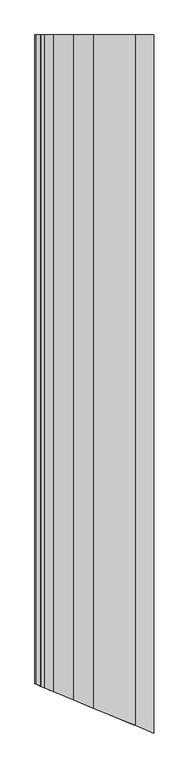
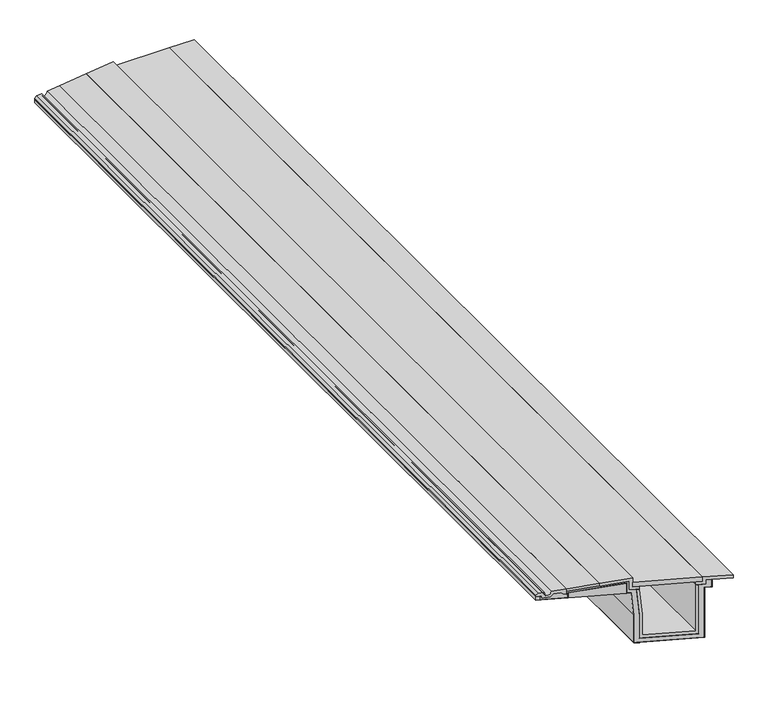
"""IFC4 building model written with IfcOpenShell, lengths in millimetres: proxy geometry."""

from ifc_helpers import new_model, si_unit, frame, origin, place, context, project, spatial, polyline, circle_curve, ellipse_curve, outline, extrude, faceted_brep, source, transform, mapped, element, save
from ifc_brep_helpers import plane_surface, revolved_surface, advanced_brep


def generic_models_518e5d58(model_context):
    return source(origin(), model_context, "Body", "SolidModel", [
        faceted_brep([(15.0, -1870.5425715, 245.682064), (15.0, -1870.5425715, 263.0859585), (0.0, -1864.329368, 261.2441901), (0.0, -1864.329368, 245.682064), (15.0, 2170.8474042, 245.682064), (15.0, 2170.8474042, 263.0859585), (0.0, 2170.8474042, 245.682064), (0.0, 2170.8474042, 261.2441901)], [[[0, 1, 2, 3]], [[4, 5, 1, 0]], [[6, 4, 0, 3]], [[7, 6, 3, 2]], [[5, 7, 2, 1]], [[5, 4, 6, 7]]]),
        faceted_brep([(237.7, -1962.7879318, 305.5427276), (116.0, -1912.3781413, 290.5998466), (116.0, -1912.3781413, 278.5097287), (237.7, -1962.7879318, 293.4526097), (237.7, 2170.8474042, 305.5427276), (116.0, 2170.8474042, 290.5998466), (237.7, 2170.8474042, 293.4526097), (116.0, 2170.8474042, 278.5097287)], [[[0, 1, 2, 3]], [[4, 5, 1, 0]], [[6, 4, 0, 3]], [[7, 6, 3, 2]], [[5, 7, 2, 1]], [[5, 4, 6, 7]]]),
        extrude(outline(polyline([(363.5893809, 2170.8474042), (625.0, 2170.8474042), (625.0, -2123.2128445), (363.5893809, -2014.9330207), (363.5893809, 2170.8474042)])), frame((0.0, 0.0, 276.0), z_axis=(0.0, 0.0, 1.0), x_axis=(1.0, 0.0, 0.0)), (0.0, 0.0, 1.0), 22.0),
        faceted_brep([(339.5893809, 2170.8474042, 245.682064), (339.5893809, 2170.8474042, 295.8879544), (339.5893809, -2004.9918952, 295.8879544), (339.5893809, -2004.9918952, 245.682064), (120.5, 2170.8474042, 245.682064), (120.5, -1914.2421023, 245.682064), (120.5, 2170.8474042, 268.9871609), (120.5, -1914.2421023, 268.9871609)], [[[0, 1, 2, 3]], [[4, 0, 3, 5]], [[6, 4, 5, 7]], [[1, 6, 7, 2]], [[3, 2, 7, 5]], [[1, 0, 4, 6]]]),
        faceted_brep([(119.5, 2170.8474042, 246.682064), (20.0, 2170.8474042, 246.682064), (20.0, -1872.6136393, 246.682064), (119.5, -1913.8278887, 246.682064), (20.0, -1872.6136393, 245.682064), (120.5, -1914.2421023, 245.682064), (120.5, -1914.2421023, 268.9871609), (339.5893809, -2004.9918952, 295.8879544), (339.5893809, -2004.9918952, 245.682064), (356.9320974, -2012.1754836, 245.682064), (367.0, -2016.3457454, 134.5088034), (367.0, -2016.3457454, 0.0), (633.0, -2126.526553, 0.0), (633.0, -2126.526553, 245.682064), (661.0, -2138.1245327, 245.682064), (661.0, -2138.1245327, 278.0), (660.0, -2137.7103192, 278.0), (660.0, -2137.7103192, 246.682064), (632.0, -2126.1123394, 246.682064), (632.0, -2126.1123394, 1.0), (368.0, -2016.759959, 1.0), (368.0, -2016.759959, 134.5539912), (357.8456292, -2012.5538809, 246.682064), (340.5893809, -2005.4061088, 246.682064), (340.5893809, -2005.4061088, 297.0182488), (119.5, -1913.8278887, 269.8718862), (119.5, 2170.8474042, 269.8718862), (340.5893809, 2170.8474042, 297.0182488), (340.5893809, 2170.8474042, 246.682064), (357.8456292, 2170.8474042, 246.682064), (339.5893809, 2170.8474042, 245.682064), (356.9320974, 2170.8474042, 245.682064), (339.5893809, 2170.8474042, 295.8879544), (120.5, 2170.8474042, 268.9871609), (120.5, 2170.8474042, 245.682064), (20.0, 2170.8474042, 245.682064), (632.0, 2170.8474042, 1.0), (368.0, 2170.8474042, 1.0), (367.0, 2170.8474042, 0.0), (633.0, 2170.8474042, 0.0), (367.0, 2170.8474042, 134.5088034), (632.0, 2170.8474042, 246.682064), (660.0, 2170.8474042, 246.682064), (633.0, 2170.8474042, 245.682064), (368.0, 2170.8474042, 134.5539912), (660.0, 2170.8474042, 278.0), (661.0, 2170.8474042, 278.0), (661.0, 2170.8474042, 245.682064)], [[[0, 1, 2, 3]], [[3, 2, 4, 5, 6, 7, 8, 9, 10, 11, 12, 13, 14, 15, 16, 17, 18, 19, 20, 21, 22, 23, 24, 25]], [[26, 0, 3, 25]], [[27, 26, 25, 24]], [[28, 27, 24, 23]], [[29, 28, 23, 22]], [[30, 31, 9, 8]], [[32, 30, 8, 7]], [[33, 32, 7, 6]], [[34, 33, 6, 5]], [[35, 34, 5, 4]], [[1, 35, 4, 2]], [[36, 37, 20, 19]], [[38, 39, 12, 11]], [[40, 38, 11, 10]], [[41, 36, 19, 18]], [[42, 41, 18, 17]], [[39, 43, 13, 12]], [[44, 29, 22, 21]], [[37, 44, 21, 20]], [[31, 40, 10, 9]], [[45, 42, 17, 16]], [[46, 45, 16, 15]], [[47, 46, 15, 14]], [[43, 47, 14, 13]], [[0, 26, 27, 28, 29, 44, 37, 36, 41, 42, 45, 46, 47, 43, 39, 38, 40, 31, 30, 32, 33, 34, 35, 1]]]),
        faceted_brep([(348.5893809, -2008.7198173, 262.0), (348.5893809, -2008.7198173, 304.0455842), (237.7, -1962.7879318, 290.4300803), (237.7, -1962.7879318, 293.4526097), (116.0, -1912.3781413, 278.5097287), (116.0, -1912.3781413, 263.5998466), (104.5, -1907.6146853, 263.5998466), (93.3955598, -1903.0150755, 272.7117229), (67.5834837, -1892.3233636, 269.5423985), (55.5685701, -1887.3466234, 256.6579811), (20.0, -1872.6136393, 252.5040499), (20.0, -1872.6136393, 263.6998813), (15.0, -1870.5425715, 263.0859585), (15.0, -1870.5425715, 245.682064), (20.0, -1872.6136393, 245.682064), (20.0, -1872.6136393, 246.682064), (119.5, -1913.8278887, 246.682064), (119.5, -1913.8278887, 269.8718862), (340.5893809, -2005.4061088, 297.0182488), (340.5893809, -2005.4061088, 246.682064), (357.8456292, -2012.5538809, 246.682064), (368.0, -2016.759959, 134.5539912), (368.0, -2016.759959, 1.0), (632.0, -2126.1123394, 1.0), (632.0, -2126.1123394, 246.682064), (660.0, -2137.7103192, 246.682064), (660.0, -2137.7103192, 278.0), (661.0, -2138.1245327, 278.0), (661.0, -2138.1245327, 283.0), (640.0, -2129.4260479, 283.0), (640.0, -2129.4260479, 262.0), (612.0, -2117.8280682, 262.0), (612.0, -2117.8280682, 21.0), (388.0, -2025.0442302, 21.0), (388.0, -2025.0442302, 135.4577467), (376.5402742, -2020.2974564, 262.0), (348.5893809, 2170.8474042, 262.0), (348.5893809, 2170.8474042, 304.0455842), (376.5402742, 2170.8474042, 262.0), (340.5893809, 2170.8474042, 246.682064), (357.8456292, 2170.8474042, 246.682064), (340.5893809, 2170.8474042, 297.0182488), (119.5, 2170.8474042, 269.8718862), (119.5, 2170.8474042, 246.682064), (15.0, 2170.8474042, 263.0859585), (15.0, 2170.8474042, 245.682064), (20.0, 2170.8474042, 263.6998813), (20.0, 2170.8474042, 252.5040499), (55.5685701, 2170.8474042, 256.6579811), (67.5834837, 2170.8474042, 269.5423985), (93.3955598, 2170.8474042, 272.7117229), (104.5, 2170.8474042, 263.5998466), (116.0, 2170.8474042, 263.5998466), (116.0, 2170.8474042, 278.5097287), (237.7, 2170.8474042, 290.4300803), (237.7, 2170.8474042, 293.4526097), (612.0, 2170.8474042, 21.0), (388.0, 2170.8474042, 21.0), (612.0, 2170.8474042, 262.0), (640.0, 2170.8474042, 262.0), (632.0, 2170.8474042, 1.0), (632.0, 2170.8474042, 246.682064), (368.0, 2170.8474042, 1.0), (20.0, 2170.8474042, 246.682064), (388.0, 2170.8474042, 135.4577467), (368.0, 2170.8474042, 134.5539912), (640.0, 2170.8474042, 283.0), (661.0, 2170.8474042, 283.0), (660.0, 2170.8474042, 246.682064), (660.0, 2170.8474042, 278.0), (661.0, 2170.8474042, 278.0), (20.0, 2170.8474042, 245.682064)], [[[0, 1, 2, 3, 4, 5, 6, 7, 8, 9, 10, 11, 12, 13, 14, 15, 16, 17, 18, 19, 20, 21, 22, 23, 24, 25, 26, 27, 28, 29, 30, 31, 32, 33, 34, 35]], [[36, 37, 1, 0]], [[38, 36, 0, 35]], [[39, 40, 20, 19]], [[41, 39, 19, 18]], [[42, 41, 18, 17]], [[43, 42, 17, 16]], [[44, 45, 13, 12]], [[46, 44, 12, 11]], [[47, 46, 11, 10]], [[48, 47, 10, 9]], [[49, 48, 9, 8]], [[50, 49, 8, 7]], [[51, 50, 7, 6]], [[52, 51, 6, 5]], [[53, 52, 5, 4]], [[37, 54, 2, 1]], [[54, 55, 3, 2]], [[56, 57, 33, 32]], [[58, 56, 32, 31]], [[59, 58, 31, 30]], [[60, 61, 24, 23]], [[62, 60, 23, 22]], [[63, 43, 16, 15]], [[64, 38, 35, 34]], [[57, 64, 34, 33]], [[65, 62, 22, 21]], [[40, 65, 21, 20]], [[55, 53, 4, 3]], [[66, 59, 30, 29]], [[67, 66, 29, 28]], [[68, 69, 26, 25]], [[61, 68, 25, 24]], [[70, 67, 28, 27]], [[69, 70, 27, 26]], [[71, 63, 15, 14]], [[45, 71, 14, 13]], [[37, 36, 38, 64, 57, 56, 58, 59, 66, 67, 70, 69, 68, 61, 60, 62, 65, 40, 39, 41, 42, 43, 63, 71, 45, 44, 46, 47, 48, 49, 50, 51, 52, 53, 55, 54]]]),
        faceted_brep([(600.0, -2112.8575054, 36.0), (400.0, -2030.014793, 36.0), (400.0, -2030.014793, 136.0), (388.5893809, -2025.2883598, 262.0), (376.5402742, -2020.2974564, 262.0), (388.0, -2025.0442302, 135.4577467), (388.0, -2025.0442302, 21.0), (612.0, -2117.8280682, 21.0), (612.0, -2117.8280682, 262.0), (600.0, -2112.8575054, 262.0), (600.0, 2170.8474042, 36.0), (400.0, 2170.8474042, 36.0), (600.0, 2170.8474042, 262.0), (612.0, 2170.8474042, 262.0), (388.0, 2170.8474042, 21.0), (612.0, 2170.8474042, 21.0), (388.0, 2170.8474042, 135.4577467), (376.5402742, 2170.8474042, 262.0), (388.5893809, 2170.8474042, 262.0), (400.0, 2170.8474042, 136.0)], [[[0, 1, 2, 3, 4, 5, 6, 7, 8, 9]], [[10, 11, 1, 0]], [[12, 10, 0, 9]], [[13, 12, 9, 8]], [[14, 15, 7, 6]], [[16, 14, 6, 5]], [[17, 16, 5, 4]], [[18, 17, 4, 3]], [[19, 18, 3, 2]], [[11, 19, 2, 1]], [[15, 13, 8, 7]], [[11, 10, 12, 13, 15, 14, 16, 17, 18, 19]]]),
        advanced_brep(
        [(0.0, 2170.8474042, 269.8936236), (0.0, 2170.8474042, 261.2441901), (0.0, -1864.329368, 261.2441901), (0.0, -1864.329368, 269.8936236), (20.0, -1872.6136393, 263.6998813), (20.0, -1872.6136393, 252.5040499), (55.5685701, -1887.3466234, 256.6579811), (67.5834837, -1892.3233636, 269.5423985), (93.3955598, -1903.0150755, 272.7117229), (104.5, -1907.6146853, 263.5998466), (116.0, -1912.3781413, 263.5998466), (116.0, -1912.3781413, 290.5998466), (57.0, -1887.9395411, 283.3555575), (37.8105267, -1879.991001, 264.554064), (32.0, -1877.584202, 280.2859435), (9.7094451, -1868.3511519, 277.5490075), (9.7094451, 2170.8474042, 277.5490075), (32.0, 2170.8474042, 280.2859435), (37.8105267, 2170.8474042, 264.554064), (57.0, 2170.8474042, 283.3555575), (116.0, 2170.8474042, 290.5998466), (116.0, 2170.8474042, 263.5998466), (104.5, 2170.8474042, 263.5998466), (93.3955598, 2170.8474042, 272.7117229), (67.5834837, 2170.8474042, 269.5423985), (55.5685701, 2170.8474042, 256.6579811), (20.0, 2170.8474042, 252.5040499), (20.0, 2170.8474042, 263.6998813)],
        [
            (0, 1),
            (1, 2),
            (2, 3),
            (3, 0),
            (2, 4),
            (4, 5),
            (5, 6),
            (6, 7),
            (7, 8),
            (8, 9),
            (9, 10),
            (10, 11),
            (11, 12),
            (12, 13, ellipse_curve(frame((37.8886508, -1880.023361, 283.6678042), z_axis=(0.3826834323650892, 0.9238795325112871, 0.0), x_axis=(0.9238795325112871, -0.38268343236508867, 0.0)), 20.6887361, 19.1138998)),
            (13, 14, ellipse_curve(frame((55.4488943, -1887.2970521, 280.0077377), z_axis=(0.3826834323650892, 0.9238795325112871, 0.0), x_axis=(0.9238795325112871, -0.38268343236508867, 0.0)), 25.3826866, 23.4505447)),
            (14, 15),
            (15, 3),
            (16, 0),
            (15, 16),
            (17, 16),
            (14, 17),
            (18, 17, circle_curve(frame((55.4488943, 2170.8474042, 280.0077377), z_axis=(0.0, 1.0, 0.0), x_axis=(1.0, 0.0, 0.0)), 23.4505447)),
            (13, 18),
            (19, 18, circle_curve(frame((37.8886508, 2170.8474042, 283.6678042), z_axis=(0.0, 1.0, 0.0), x_axis=(1.0, 0.0, 0.0)), 19.1138998)),
            (12, 19),
            (20, 19),
            (11, 20),
            (21, 20),
            (10, 21),
            (22, 21),
            (9, 22),
            (23, 22),
            (8, 23),
            (24, 23),
            (7, 24),
            (25, 24),
            (6, 25),
            (26, 25),
            (5, 26),
            (27, 26),
            (4, 27),
            (1, 27),
        ],
        [
            plane_surface(frame((0.0, 2170.8474042, 261.2441901), z_axis=(-1.0, 0.0, 0.0), x_axis=(0.0, -1.0, 0.0))),
            plane_surface(frame((740.0, -2170.8474042, 321.0), z_axis=(-0.3826834323650892, -0.9238795325112871, 0.0), x_axis=(0.0, 0.0, -1.0))),
            plane_surface(frame((0.0, 2170.8474042, 269.8936236), z_axis=(-0.6191475432586214, 0.0, 0.7852746778527966), x_axis=(0.0, -1.0, 0.0))),
            plane_surface(frame((9.7094451, 2170.8474042, 277.5490075), z_axis=(-0.12186934340514402, 0.0, 0.9925461516413224), x_axis=(0.0, -1.0, 0.0))),
            revolved_surface(polyline([(78.899439, -1897.0105857307349, 280.0077377), (78.899439, 2170.8474042, 280.0077377)]), (55.4488943, 2170.8474042, 280.0077377), (0.0, -1.0, 0.0)),
            revolved_surface(polyline([(57.0025506, -1887.9405975420436, 283.6678042), (57.0025506, 2170.8474042, 283.6678042)]), (37.8886508, 2170.8474042, 283.6678042), (0.0, -1.0, 0.0)),
            plane_surface(frame((57.0, 2170.8474042, 283.3555575), z_axis=(-0.12186934340514415, 0.0, 0.9925461516413225), x_axis=(0.0, -1.0, 0.0))),
            plane_surface(frame((116.0, 2170.8474042, 290.5998466), z_axis=(1.0, 0.0, 0.0), x_axis=(0.0, -1.0, 0.0))),
            plane_surface(frame((116.0, 2170.8474042, 263.5998466), z_axis=(0.0, 0.0, -1.0), x_axis=(0.0, -1.0, 0.0))),
            plane_surface(frame((104.5, 2170.8474042, 263.5998466), z_axis=(-0.63433911210237, 0.0, -0.7730549080480486), x_axis=(0.0, -1.0, 0.0))),
            plane_surface(frame((93.3955598, 2170.8474042, 272.7117229), z_axis=(0.12186934340514435, 0.0, -0.9925461516413224), x_axis=(0.0, -1.0, 0.0))),
            plane_surface(frame((67.5834837, 2170.8474042, 269.5423985), z_axis=(0.7313537016191691, 0.0, -0.6819983600624999), x_axis=(0.0, -1.0, 0.0))),
            plane_surface(frame((55.5685701, 2170.8474042, 256.6579811), z_axis=(0.11599818969749838, 0.0, -0.9932494248610987), x_axis=(0.0, -1.0, 0.0))),
            plane_surface(frame((20.0, 2170.8474042, 252.5040499), z_axis=(-1.0, 0.0, 0.0), x_axis=(0.0, -1.0, 0.0))),
            plane_surface(frame((20.0, 2170.8474042, 263.6998813), z_axis=(0.1218693434051437, 0.0, -0.9925461516413225), x_axis=(0.0, -1.0, 0.0))),
            plane_surface(frame((0.0, 2170.8474042, 0.0), z_axis=(0.0, 1.0, 0.0), x_axis=(0.0, 0.0, 1.0))),
        ],
        [
            (0, [[1, 2, 3, 4]]),
            (1, [[-3, 5, 6, 7, 8, 9, 10, 11, 12, 13, 14, 15, 16, 17]]),
            (2, [[18, -4, -17, 19]]),
            (3, [[20, -19, -16, 21]]),
            (4, [[22, -21, -15, 23]]),
            (5, [[24, -23, -14, 25]]),
            (6, [[26, -25, -13, 27]]),
            (7, [[28, -27, -12, 29]]),
            (8, [[30, -29, -11, 31]]),
            (9, [[32, -31, -10, 33]]),
            (10, [[34, -33, -9, 35]]),
            (11, [[36, -35, -8, 37]]),
            (12, [[38, -37, -7, 39]]),
            (13, [[40, -39, -6, 41]]),
            (14, [[42, -41, -5, -2]]),
            (15, [[-1, -18, -20, -22, -24, -26, -28, -30, -32, -34, -36, -38, -40, -42]]),
        ],
    ),
        faceted_brep([(363.5893809, -2014.9330207, 321.0), (237.7, -1962.7879318, 305.5427276), (237.7, -1962.7879318, 290.4300803), (348.5893809, -2008.7198173, 304.0455842), (348.5893809, -2008.7198173, 262.0), (388.5893809, -2025.2883598, 262.0), (388.5893809, -2025.2883598, 276.0), (363.5893809, -2014.9330207, 276.0), (363.5893809, 2170.8474042, 321.0), (237.7, 2170.8474042, 305.5427276), (363.5893809, 2170.8474042, 276.0), (388.5893809, 2170.8474042, 276.0), (388.5893809, 2170.8474042, 262.0), (348.5893809, 2170.8474042, 262.0), (348.5893809, 2170.8474042, 304.0455842), (237.7, 2170.8474042, 290.4300803)], [[[0, 1, 2, 3, 4, 5, 6, 7]], [[8, 9, 1, 0]], [[10, 8, 0, 7]], [[11, 10, 7, 6]], [[12, 11, 6, 5]], [[13, 12, 5, 4]], [[14, 13, 4, 3]], [[15, 14, 3, 2]], [[9, 15, 2, 1]], [[9, 8, 10, 11, 12, 13, 14, 15]]]),
        faceted_brep([(625.0, -2123.2128445, 298.0), (625.0, -2123.2128445, 276.0), (600.0, -2112.8575054, 276.0), (600.0, -2112.8575054, 262.0), (640.0, -2129.4260479, 262.0), (640.0, -2129.4260479, 283.0), (740.0, -2170.8474042, 283.0), (740.0, -2170.8474042, 298.0), (625.0, 2170.8474042, 298.0), (625.0, 2170.8474042, 276.0), (740.0, 2170.8474042, 298.0), (740.0, 2170.8474042, 283.0), (640.0, 2170.8474042, 283.0), (640.0, 2170.8474042, 262.0), (600.0, 2170.8474042, 262.0), (600.0, 2170.8474042, 276.0)], [[[0, 1, 2, 3, 4, 5, 6, 7]], [[8, 9, 1, 0]], [[10, 8, 0, 7]], [[11, 10, 7, 6]], [[12, 11, 6, 5]], [[13, 12, 5, 4]], [[14, 13, 4, 3]], [[15, 14, 3, 2]], [[9, 15, 2, 1]], [[9, 8, 10, 11, 12, 13, 14, 15]]]),
    ])


if __name__ == "__main__":
    model = new_model("IFC4")
    model_context = context("Model", 3, world=origin())
    ifc_project = project(units=[si_unit("LENGTHUNIT", "METRE", prefix="MILLI")], contexts=[model_context])
    site = spatial("IfcSite", under=ifc_project)
    building = spatial("IfcBuilding", under=site)
    placement = place(None, origin())
    generic_models_shape = generic_models_518e5d58(model_context)
    element("IfcBuildingElementProxy", 1, Name="Generic Models", at=placement, inside=building, context=model_context, shape_type="MappedRepresentation", body=[
        mapped(generic_models_shape, transform((0.0, 0.0, 0.0), x_axis=(1.0, 0.0, 0.0), y_axis=(0.0, 1.0, 0.0), z_axis=(0.0, 0.0, 1.0))),
    ])
    save(model, "model.ifc")
